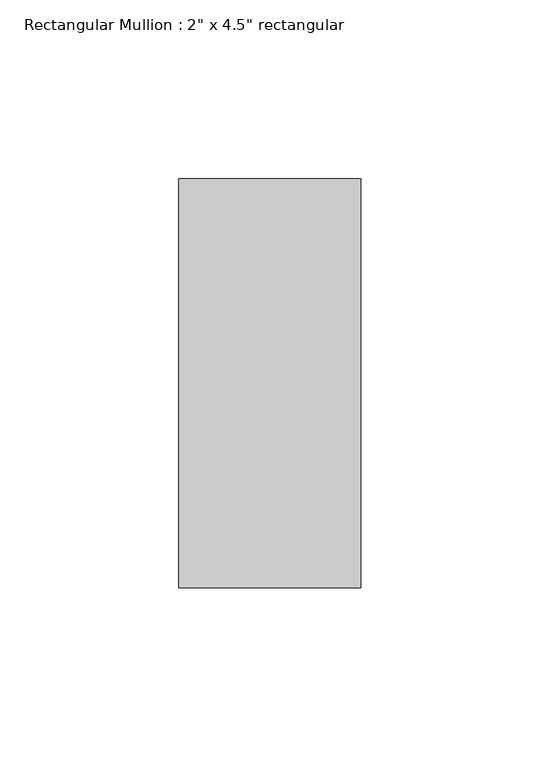
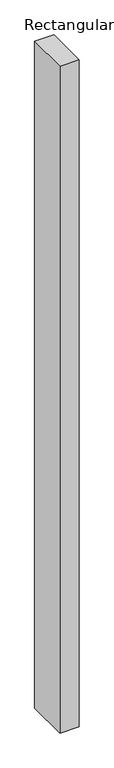
"""IFC4 building model written with IfcOpenShell, lengths in millimetres: member geometry."""

from ifc_helpers import new_model, si_unit, frame, origin, place, context, project, spatial, polyline, outline, extrude, source, transform, mapped, element, save


def member_ba96e129(model_context):
    return source(origin(), model_context, "Body", "SweptSolid", [
        extrude(outline(polyline([(25.4, 57.15), (25.4, -57.15), (-25.4, -57.15), (-25.4, 57.15), (25.4, 57.15)])), frame((0.0, 0.0, -1854.2), z_axis=(0.0, 0.0, 1.0), x_axis=(1.0, 0.0, 0.0)), (0.0, 0.0, 1.0), 1854.2),
    ])


if __name__ == "__main__":
    model = new_model("IFC4")
    model_context = context("Model", 3, world=origin())
    ifc_project = project(units=[si_unit("LENGTHUNIT", "METRE", prefix="MILLI")], contexts=[model_context])
    site = spatial("IfcSite", under=ifc_project)
    building = spatial("IfcBuilding", under=site)
    placement = place(None, origin())
    member_shape = member_ba96e129(model_context)
    element("IfcMember", 1, ObjectType="Rectangular Mullion : 2\" x 4.5\" rectangular", at=placement, inside=building, context=model_context, shape_type="MappedRepresentation", body=[
        mapped(member_shape, transform((0.0, 0.0, 0.0), x_axis=(1.0, 0.0, 0.0), y_axis=(0.0, 1.0, 0.0), z_axis=(0.0, 0.0, 1.0))),
    ])
    save(model, "model.ifc")
